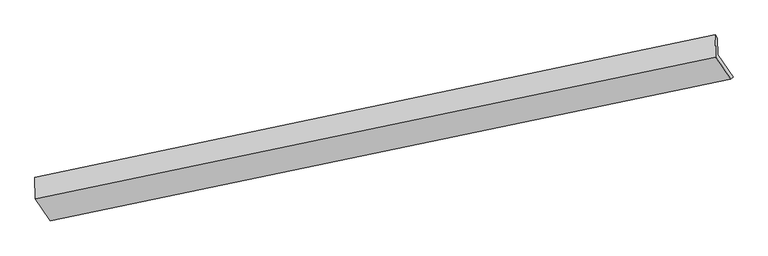
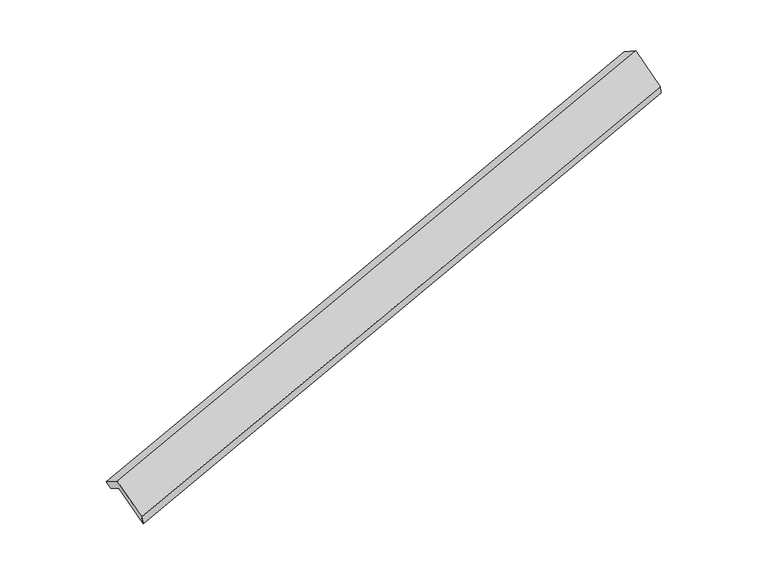
"""IFC4 building model written with IfcOpenShell, lengths in millimetres: proxy geometry."""

from ifc_helpers import new_model, si_unit, frame, origin, place, context, project, spatial, source, transform, mapped, element, save
from ifc_brep_helpers import plane_surface, spline_surface, advanced_brep


def generic_models_3d72189a(model_context):
    return source(origin(), model_context, "Body", "AdvancedBrep", [
        advanced_brep(
        [(-8686.575931, -2698.6945798, 583.4997982), (-8432.7571523, -3069.135807, -12.2602503), (3013.2997607, -681.3827827, 3366.5423919), (2759.480982, -310.9415556, 3962.3024404), (-8694.5282704, -2341.439442, 357.9719451), (2751.1522542, 63.2226511, 3726.1002383), (-8647.5998785, -2409.930084, 247.8222501), (2787.8740501, 9.6282434, 3639.9073294), (-8641.772822, -2671.7078795, 413.0772121), (2794.0774949, -269.058621, 3815.8366404), (-8387.9176324, -3042.2022473, -182.7682996), (3053.0359826, -647.0011059, 3208.0127356)],
        [
            (0, 1),
            (1, 2),
            (2, 3),
            (3, 0),
            (4, 0),
            (3, 5),
            (5, 4),
            (6, 4),
            (5, 7),
            (7, 6),
            (8, 6),
            (7, 9),
            (9, 8),
            (10, 8),
            (9, 11),
            (11, 10),
            (1, 10),
            (11, 2),
        ],
        [
            plane_surface(frame((-8559.6665417, -2883.9151934, 285.619774), z_axis=(0.018819415061943817, -0.8454534398393718, 0.533717444609505), x_axis=(0.3402198702648222, -0.4965411419954239, -0.798559537030814))),
            plane_surface(frame((-8690.5521007, -2520.0670109, 470.7358717), z_axis=(-0.33941767112926363, 0.4967086946592845, 0.7987966682298173), x_axis=(0.01881941506216267, -0.8454534398393536, 0.5337174446095261))),
            plane_surface(frame((-8671.0640745, -2375.684763, 302.8970976), z_axis=(-0.02036431986663112, 0.8451292160397608, -0.5341740378120124), x_axis=(-0.3402198702655844, 0.49654114199518223, 0.7985595370306395))),
            plane_surface(frame((-8644.6863502, -2540.8189817, 330.4497311), z_axis=(0.341734749215688, -0.49622360676752214, -0.7981099506115198), x_axis=(-0.018819415061996376, 0.8454534398394278, -0.5337174446094146))),
            plane_surface(frame((-8514.8452272, -2856.9550634, 115.1544563), z_axis=(-0.018819415061973516, 0.845453439839416, -0.5337174446094339), x_axis=(-0.3402198702648117, 0.4965411419953506, 0.7985595370308639))),
            spline_surface(1, 1, [[(-8432.7571523, -3069.135807, -12.2602503), (3013.2997607, -681.3827827, 3366.5423919)], [(-8387.9176324, -3042.2022473, -182.7682996), (3053.0359826, -647.0011059, 3208.0127356)]], [2, 2], [2, 2], [0.0, 1.0], [0.0, 1.0]),
            plane_surface(frame((2859.8200874, -305.9221951, 3619.7836293), z_axis=(0.9401575769482442, 0.19660970314258952, 0.2782954457711972), x_axis=(-0.018819415061996376, 0.8454534398394278, -0.5337174446094146))),
            plane_surface(frame((-8581.8586144, -2705.5183399, 234.5571093), z_axis=(-0.9401575769485147, -0.19660970314238432, -0.2782954457704283), x_axis=(-0.3402198702648267, 0.496541141995423, 0.7985595370308126))),
        ],
        [
            (0, [[1, 2, 3, 4]]),
            (1, [[5, -4, 6, 7]]),
            (2, [[8, -7, 9, 10]]),
            (3, [[11, -10, 12, 13]]),
            (4, [[14, -13, 15, 16]]),
            (5, [[17, -16, 18, -2]]),
            (6, [[-12, -9, -6, -3, -18, -15]]),
            (7, [[-1, -5, -8, -11, -14, -17]]),
        ],
    ),
    ])


if __name__ == "__main__":
    model = new_model("IFC4")
    model_context = context("Model", 3, world=origin())
    ifc_project = project(units=[si_unit("LENGTHUNIT", "METRE", prefix="MILLI")], contexts=[model_context])
    site = spatial("IfcSite", under=ifc_project)
    building = spatial("IfcBuilding", under=site)
    placement = place(None, origin())
    generic_models_shape = generic_models_3d72189a(model_context)
    element("IfcBuildingElementProxy", 1, Name="Generic Models", at=placement, inside=building, context=model_context, shape_type="MappedRepresentation", body=[
        mapped(generic_models_shape, transform((0.0, 0.0, 0.0), x_axis=(1.0, 0.0, 0.0), y_axis=(0.0, 1.0, 0.0), z_axis=(0.0, 0.0, 1.0))),
    ])
    save(model, "model.ifc")
